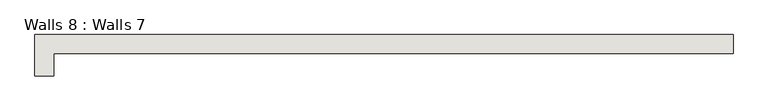
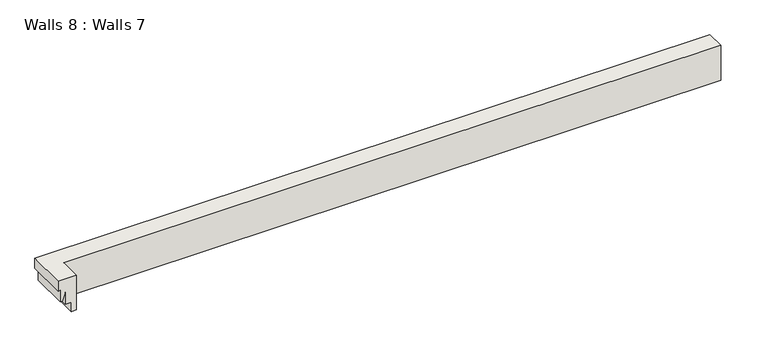
"""IFC4 building model written with IfcOpenShell, lengths in millimetres: wall geometry, Walls 8 : Walls 7."""

from ifc_helpers import new_model, si_unit, origin, place, context, project, spatial, faceted_brep, source, transform, mapped, element, save


def walls_8_walls_7_39980a30(model_context):
    return source(origin(), model_context, "Body", "Brep", [
        faceted_brep([(-12602.1969605, 39393.4245636, -1885.143421), (-12602.1969605, 39279.1245636, -1885.143421), (-12602.1969605, 39279.1245636, -2113.743421), (-12602.1969605, 39310.3781124, -2113.743421), (-12602.1969605, 39310.3781124, -2050.243421), (-12602.1969605, 39348.4781124, -2050.243421), (-12602.1969605, 39348.4781124, -1971.1399877), (-12602.1969605, 39368.0245636, -2024.843421), (-12602.1969605, 39380.7245636, -2024.843421), (-12602.1969605, 39380.7245636, -1948.643421), (-12602.1969605, 39393.4245636, -1948.643421), (-16818.087567, 39143.5122578, -1885.143421), (-16818.087567, 39143.5122578, -1948.643421), (-16805.387567, 39143.5122578, -1948.643421), (-16805.387567, 39143.5122578, -2024.843421), (-16792.687567, 39143.5122578, -2024.843421), (-16773.1411158, 39143.5122578, -1971.1399877), (-16773.1411158, 39143.5122578, -2050.243421), (-16735.0411158, 39143.5122578, -2050.243421), (-16735.0411158, 39143.5122578, -2113.743421), (-16703.787567, 39143.5122578, -2113.743421), (-16703.787567, 39143.5122578, -1885.143421), (-16818.087567, 39393.4245636, -1885.143421), (-16703.787567, 39279.1245636, -1885.143421), (-16703.787567, 39279.1245636, -2113.743421), (-16735.0411158, 39310.3781124, -2113.743421), (-16735.0411158, 39310.3781124, -2050.243421), (-16773.1411158, 39348.4781124, -2050.243421), (-16773.1411158, 39348.4781124, -1971.1399877), (-16792.687567, 39368.0245636, -2024.843421), (-16805.387567, 39380.7245636, -2024.843421), (-16805.387567, 39380.7245636, -1948.643421), (-16818.087567, 39393.4245636, -1948.643421)], [[[0, 1, 2, 3, 4, 5, 6, 7, 8, 9, 10]], [[11, 12, 13, 14, 15, 16, 17, 18, 19, 20, 21]], [[1, 0, 22, 11, 21, 23]], [[2, 1, 23, 24]], [[3, 2, 24, 20, 19, 25]], [[4, 3, 25, 26]], [[5, 4, 26, 18, 17, 27]], [[6, 5, 27, 28]], [[7, 6, 28, 29]], [[8, 7, 29, 15, 14, 30]], [[9, 8, 30, 31]], [[10, 9, 31, 13, 12, 32]], [[0, 10, 32, 22]], [[24, 23, 21, 20]], [[26, 25, 19, 18]], [[28, 27, 17, 16]], [[29, 28, 16, 15]], [[31, 30, 14, 13]], [[22, 32, 12, 11]]]),
    ])


if __name__ == "__main__":
    model = new_model("IFC4")
    model_context = context("Model", 3, world=origin())
    ifc_project = project(units=[si_unit("LENGTHUNIT", "METRE", prefix="MILLI")], contexts=[model_context])
    site = spatial("IfcSite", under=ifc_project)
    building = spatial("IfcBuilding", under=site)
    placement = place(None, origin())
    walls_8_walls_7_shape = walls_8_walls_7_39980a30(model_context)
    element("IfcWall", 1, ObjectType="Walls 8 : Walls 7", at=placement, inside=building, context=model_context, shape_type="MappedRepresentation", body=[
        mapped(walls_8_walls_7_shape, transform((0.0, 0.0, 0.0), x_axis=(1.0, 0.0, 0.0), y_axis=(0.0, 1.0, 0.0), z_axis=(0.0, 0.0, 1.0))),
    ])
    save(model, "model.ifc")
